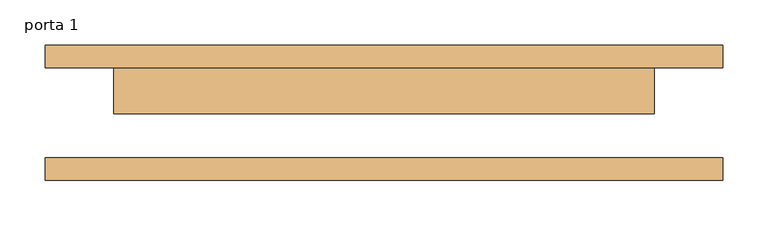
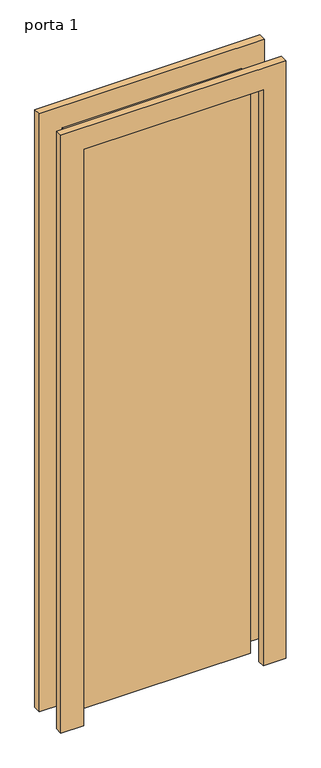
"""IFC4 building model written with IfcOpenShell, lengths in millimetres: door geometry, porta 1."""

import ifcopenshell
import ifcopenshell.guid

model = None  # the IFC model being written
_history = None  # IfcOwnerHistory: only IFC2X3 demands one
_inside = {}  # id of a spatial element -> (the spatial element, [elements in it])
_under = {}  # id of a project, library or spatial element -> (it, [spatial elements below it])
_declared = {}  # id of a project -> (the project, [libraries it declares])
_typed = {}  # id of a type object -> (the type object, [elements of that type])
_made_of = {}  # id of a material, layer set ... -> (it, [elements and type objects made of it])


def new_model(schema):
    """Start an empty IFC model of exactly this schema.

    Asked for "IFC4X3", IfcOpenShell would pick the latest addendum, in which some entities
    have other attributes; the version numbers below select the first issue.
    IFC2X3 requires an IfcOwnerHistory on every rooted entity: one is made here for all.
    """
    global model, _history
    if schema == "IFC4X3":
        model = ifcopenshell.file(schema_version=(4, 3, 0, 0))
    else:
        model = ifcopenshell.file(schema=schema)
    _inside.clear()
    _under.clear()
    _declared.clear()
    _typed.clear()
    _made_of.clear()
    _history = None
    if model.schema == "IFC2X3":
        org = make("IfcOrganization", Name="unknown")
        user = make(
            "IfcPersonAndOrganization",
            ThePerson=make("IfcPerson", FamilyName="unknown"),
            TheOrganization=org,
        )
        app = make(
            "IfcApplication",
            ApplicationDeveloper=org,
            Version="unknown",
            ApplicationFullName="unknown",
            ApplicationIdentifier="unknown",
        )
        _history = make(
            "IfcOwnerHistory",
            OwningUser=user,
            OwningApplication=app,
            ChangeAction="ADDED",
            CreationDate=0,
        )
    return model


def make(cls, **values):
    """One entity of the class cls with the attributes given. An attribute that is None is left unset."""
    return model.create_entity(
        cls, **{name: value for name, value in values.items() if value is not None}
    )


def rooted(cls, **values):
    """An entity with a GlobalId (a new one), such as an element, a storey or a relation."""
    return make(cls, GlobalId=ifcopenshell.guid.new(), OwnerHistory=_history, **values)


def si_unit(unit_type, name, prefix=None):
    """IfcSIUnit, for example si_unit("LENGTHUNIT", "METRE", prefix="MILLI")."""
    return make("IfcSIUnit", UnitType=unit_type, Prefix=prefix, Name=name)


def assignment(units):
    """IfcUnitAssignment: the units of a project."""
    return None if units is None else make("IfcUnitAssignment", Units=units)


def point(xyz):
    """IfcCartesianPoint."""
    return None if xyz is None else make("IfcCartesianPoint", Coordinates=xyz)


def direction(xyz):
    """IfcDirection."""
    return None if xyz is None else make("IfcDirection", DirectionRatios=xyz)


def frame(location, z_axis=None, x_axis=None):
    """IfcAxis2Placement3D, a coordinate frame: its origin and axes. An axis left out is left unset."""
    return make(
        "IfcAxis2Placement3D",
        Location=point(location),
        Axis=direction(z_axis),
        RefDirection=direction(x_axis),
    )


def origin():
    """The frame at (0, 0, 0) with its axes left unset."""
    return frame((0.0, 0.0, 0.0))


def origin_with_axes():
    """The frame at (0, 0, 0) with the z axis (0, 0, 1) and the x axis (1, 0, 0) written out."""
    return frame((0.0, 0.0, 0.0), z_axis=(0.0, 0.0, 1.0), x_axis=(1.0, 0.0, 0.0))


def place(relative_to, where):
    """IfcLocalPlacement: puts the frame where relative to a parent placement (None: the world)."""
    return make(
        "IfcLocalPlacement", PlacementRelTo=relative_to, RelativePlacement=where
    )


def context(
    kind, dimensions, precision=None, world=None, true_north=None, identifier=None
):
    """IfcGeometricRepresentationContext, for example the 3D "Model" context."""
    return make(
        "IfcGeometricRepresentationContext",
        ContextIdentifier=identifier,
        ContextType=kind,
        CoordinateSpaceDimension=dimensions,
        Precision=precision,
        WorldCoordinateSystem=world,
        TrueNorth=true_north,
    )


def project(units=None, contexts=None):
    """IfcProject with its units and contexts."""
    return rooted(
        "IfcProject",
        Name="project",
        RepresentationContexts=contexts,
        UnitsInContext=assignment(units),
    )


def spatial(cls, under=None, at=None, **own):
    """A site, building, storey or space (cls), placed at a placement, below another one or the project."""
    s = rooted(cls, ObjectPlacement=at, **own)
    if under is not None:
        _under.setdefault(under.id(), (under, []))[1].append(s)
    return s


def polyline(points):
    """IfcPolyline through the points."""
    return make("IfcPolyline", Points=[point(p) for p in points])


def outline(outer, holes=None, kind="AREA"):
    """IfcArbitraryClosedProfileDef: a profile drawn as a closed curve; with holes, ...WithVoids."""
    if holes is None:
        return make("IfcArbitraryClosedProfileDef", ProfileType=kind, OuterCurve=outer)
    return make(
        "IfcArbitraryProfileDefWithVoids",
        ProfileType=kind,
        OuterCurve=outer,
        InnerCurves=holes,
    )


def extrude(swept, where, along, depth):
    """IfcExtrudedAreaSolid: the profile swept, set in the frame where, extruded along a direction by depth."""
    return make(
        "IfcExtrudedAreaSolid",
        SweptArea=swept,
        Position=where,
        ExtrudedDirection=direction(along),
        Depth=depth,
    )


def shape(context_of_items, identifier, shape_type, items):
    """IfcShapeRepresentation: the items that make up one representation, for example the "Body"."""
    return make(
        "IfcShapeRepresentation",
        ContextOfItems=context_of_items,
        RepresentationIdentifier=identifier,
        RepresentationType=shape_type,
        Items=items,
    )


def source(mapping_origin, context_of_items, identifier, shape_type, items):
    """IfcRepresentationMap: a shape defined once, which mapped items show again and again."""
    return make(
        "IfcRepresentationMap",
        MappingOrigin=mapping_origin,
        MappedRepresentation=shape(context_of_items, identifier, shape_type, items),
    )


def transform(
    local_origin,
    x_axis=None,
    y_axis=None,
    z_axis=None,
    scale=None,
    scale2=None,
    scale3=None,
    uniform=True,
):
    """IfcCartesianTransformationOperator3D, or its non-uniform kind. x_axis, y_axis, z_axis: its Axis1, 2, 3."""
    if uniform:
        return make(
            "IfcCartesianTransformationOperator3D",
            Axis1=direction(x_axis),
            Axis2=direction(y_axis),
            LocalOrigin=point(local_origin),
            Scale=scale,
            Axis3=direction(z_axis),
        )
    return make(
        "IfcCartesianTransformationOperator3DnonUniform",
        Axis1=direction(x_axis),
        Axis2=direction(y_axis),
        LocalOrigin=point(local_origin),
        Scale=scale,
        Axis3=direction(z_axis),
        Scale2=scale2,
        Scale3=scale3,
    )


def mapped(mapping_source, mapping_target):
    """IfcMappedItem: shows the shape of a source again, moved by a transform."""
    return make(
        "IfcMappedItem", MappingSource=mapping_source, MappingTarget=mapping_target
    )


def made_of(thing, what):
    """Note that an element or type object is made of a material, layer set ...; save() writes the relation."""
    if what is not None:
        _made_of.setdefault(what.id(), (what, []))[1].append(thing)
    return thing


def element(
    cls,
    number,
    at=None,
    inside=None,
    cuts=None,
    type_object=None,
    material=None,
    context=None,
    identifier="Body",
    shape_type=None,
    held_by="IfcProductDefinitionShape",
    body=None,
    shapes=None,
    **own,
):
    """One element of the class cls, such as IfcWall. Its Tag is "e" and its number.

    at: its placement. inside: the storey or other place that contains it. cuts: it is an
    opening in that element (IfcRelVoidsElement). A single representation is given by context,
    identifier, shape_type and body (its items); several are given by shapes. held_by: the class
    of the entity that holds the representations. save() writes the other relations.
    """
    e = rooted(cls, Tag="e%d" % number, ObjectPlacement=at, **own)
    if body is not None:
        shapes = [shape(context, identifier, shape_type, body)]
    if shapes is not None:
        e.Representation = make(held_by, Representations=shapes)
    if inside is not None:
        _inside.setdefault(inside.id(), (inside, []))[1].append(e)
    if cuts is not None:
        rooted(
            "IfcRelVoidsElement", RelatingBuildingElement=cuts, RelatedOpeningElement=e
        )
    if type_object is not None:
        _typed.setdefault(type_object.id(), (type_object, []))[1].append(e)
    return made_of(e, material)


def aggregate(whole, parts):
    """IfcRelAggregates: a whole, such as a stair, and the parts it consists of."""
    return rooted("IfcRelAggregates", RelatingObject=whole, RelatedObjects=parts)


def save(model, path):
    """Write the relations noted so far, then the file.

    IfcRelAggregates (storeys below a building ...), IfcRelContainedInSpatialStructure (elements
    in a storey), IfcRelDefinesByType, IfcRelAssociatesMaterial and IfcRelDeclares: one each for
    every whole, place, type object, material and project.
    """
    for whole, parts in _under.values():
        aggregate(whole, parts)
    for where, things in _inside.values():
        rooted(
            "IfcRelContainedInSpatialStructure",
            RelatedElements=things,
            RelatingStructure=where,
        )
    for kind, things in _typed.values():
        rooted("IfcRelDefinesByType", RelatedObjects=things, RelatingType=kind)
    for what, things in _made_of.values():
        rooted("IfcRelAssociatesMaterial", RelatedObjects=things, RelatingMaterial=what)
    for by, libraries in _declared.values():
        rooted("IfcRelDeclares", RelatingContext=by, RelatedDefinitions=libraries)
    model.write(path)


def porta_1_3bf10e6d(model_context):
    return source(origin(), model_context, "Body", "SweptSolid", [
        extrude(outline(polyline([(2108.0, -376.0), (0.0, -376.0), (0.0, -300.0), (2032.0, -300.0), (2032.0, 300.0), (0.0, 300.0), (0.0, 376.0), (2108.0, 376.0), (2108.0, -376.0)])), frame((0.0, 50.0, 0.0), z_axis=(0.0, 1.0, 0.0), x_axis=(0.0, 0.0, 1.0)), (0.0, 0.0, 1.0), 25.0),
        extrude(outline(polyline([(2108.0, 376.0), (2108.0, -376.0), (0.0, -376.0), (0.0, -300.0), (2032.0, -300.0), (2032.0, 300.0), (0.0, 300.0), (0.0, 376.0), (2108.0, 376.0)])), frame((0.0, -75.0, 0.0), z_axis=(0.0, 1.0, 0.0), x_axis=(0.0, 0.0, 1.0)), (0.0, 0.0, 1.0), 25.0),
        extrude(outline(polyline([(300.0, -1.0), (-300.0, -1.0), (-300.0, 50.0), (300.0, 50.0), (300.0, -1.0)])), origin_with_axes(), (0.0, 0.0, 1.0), 2032.0),
    ])


if __name__ == "__main__":
    model = new_model("IFC4")
    model_context = context("Model", 3, world=origin())
    ifc_project = project(units=[si_unit("LENGTHUNIT", "METRE", prefix="MILLI")], contexts=[model_context])
    site = spatial("IfcSite", under=ifc_project)
    building = spatial("IfcBuilding", under=site)
    placement = place(None, origin())
    porta_1_shape = porta_1_3bf10e6d(model_context)
    element("IfcDoor", 1, ObjectType="porta 1", at=placement, inside=building, context=model_context, shape_type="MappedRepresentation", body=[
        mapped(porta_1_shape, transform((0.0, 0.0, 0.0), x_axis=(1.0, 0.0, 0.0), y_axis=(0.0, 1.0, 0.0), z_axis=(0.0, 0.0, 1.0))),
    ])
    save(model, "model.ifc")
